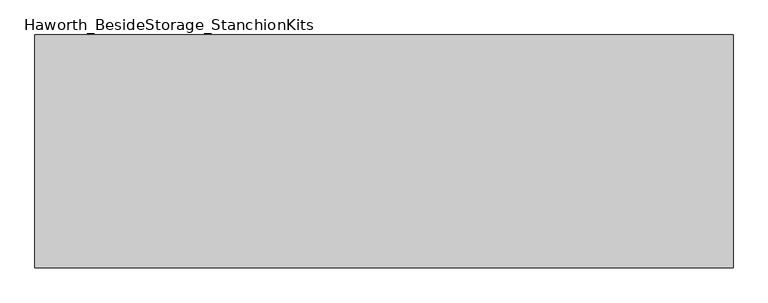
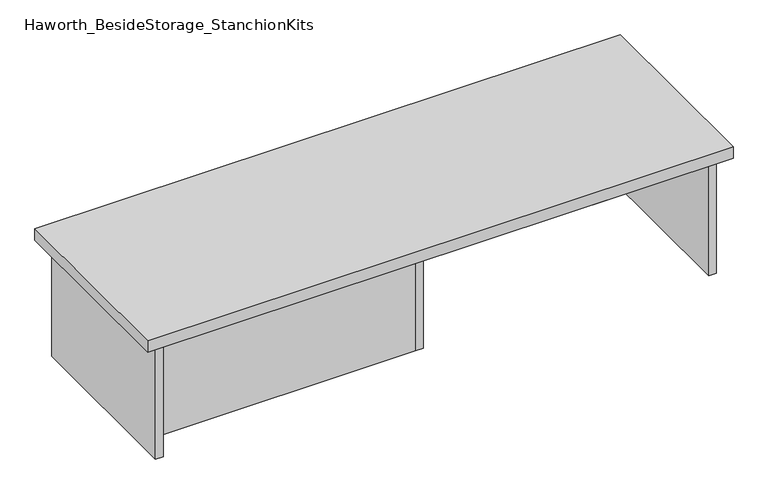
"""IFC4 building model written with IfcOpenShell, lengths in millimetres: furniture geometry, Haworth_BesideStorage_StanchionKits."""

from ifc_helpers import new_model, si_unit, frame, origin, place, context, project, spatial, polyline, outline, extrude, source, transform, mapped, element, save


def haworth_besidestorage_stanchionkits_230b82aa(model_context):
    return source(origin(), model_context, "Body", "SweptSolid", [
        extrude(outline(polyline([(771.525, 0.0), (771.525, -406.4), (-447.675, -406.4), (-447.675, 0.0), (771.525, 0.0)])), frame((0.0, 0.0, 685.8), z_axis=(0.0, 0.0, 1.0), x_axis=(1.0, 0.0, 0.0)), (0.0, 0.0, 1.0), 25.4),
        extrude(outline(polyline([(169.8625, -76.2), (730.25, -76.2), (730.25, -92.075), (169.8625, -92.075), (169.8625, -76.2)])), frame((0.0, 0.0, 431.8), z_axis=(0.0, 0.0, 1.0), x_axis=(1.0, 0.0, 0.0)), (0.0, 0.0, 1.0), 254.0),
        extrude(outline(polyline([(153.9875, -314.325), (153.9875, -330.2), (-406.4, -330.2), (-406.4, -314.325), (153.9875, -314.325)])), frame((0.0, 0.0, 431.8), z_axis=(0.0, 0.0, 1.0), x_axis=(1.0, 0.0, 0.0)), (0.0, 0.0, 1.0), 254.0),
        extrude(outline(polyline([(169.8625, -330.2), (153.9875, -330.2), (153.9875, -76.2), (169.8625, -76.2), (169.8625, -330.2)])), frame((0.0, 0.0, 431.8), z_axis=(0.0, 0.0, 1.0), x_axis=(1.0, 0.0, 0.0)), (0.0, 0.0, 1.0), 254.0),
        extrude(outline(polyline([(746.125, -390.525), (730.25, -390.525), (730.25, -15.875), (746.125, -15.875), (746.125, -390.525)])), frame((0.0, 0.0, 431.8), z_axis=(0.0, 0.0, 1.0), x_axis=(1.0, 0.0, 0.0)), (0.0, 0.0, 1.0), 254.0),
        extrude(outline(polyline([(-406.4, -390.525), (-422.275, -390.525), (-422.275, -15.875), (-406.4, -15.875), (-406.4, -390.525)])), frame((0.0, 0.0, 431.8), z_axis=(0.0, 0.0, 1.0), x_axis=(1.0, 0.0, 0.0)), (0.0, 0.0, 1.0), 254.0),
    ])


if __name__ == "__main__":
    model = new_model("IFC4")
    model_context = context("Model", 3, world=origin())
    ifc_project = project(units=[si_unit("LENGTHUNIT", "METRE", prefix="MILLI")], contexts=[model_context])
    site = spatial("IfcSite", under=ifc_project)
    building = spatial("IfcBuilding", under=site)
    placement = place(None, origin())
    haworth_besidestorage_stanchionkits_shape = haworth_besidestorage_stanchionkits_230b82aa(model_context)
    element("IfcFurniture", 1, ObjectType="Haworth_BesideStorage_StanchionKits", at=placement, inside=building, context=model_context, shape_type="MappedRepresentation", body=[
        mapped(haworth_besidestorage_stanchionkits_shape, transform((0.0, 0.0, 0.0), x_axis=(1.0, 0.0, 0.0), y_axis=(0.0, 1.0, 0.0), z_axis=(0.0, 0.0, 1.0))),
    ])
    save(model, "model.ifc")
